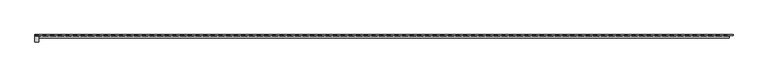
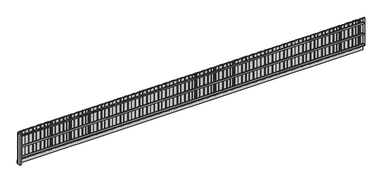
"""IFC4 building model written with IfcOpenShell, lengths in millimetres: geographic element geometry."""

from ifc_helpers import new_model, si_unit, frame, origin, origin_with_axes, place, context, project, spatial, polyline, outline, extrude, source, transform, mapped, element, save


def geographic_element_304ab37c(model_context):
    return source(origin(), model_context, "Body", "SweptSolid", [
        extrude(outline(polyline([(18250.6871344, 20.0), (18100.3435672, 20.0), (18100.3435672, 40.0), (18250.6871344, 40.0), (18250.6871344, 20.0)])), frame((0.0, 0.0, 200.0), z_axis=(0.0, 0.0, 1.0), x_axis=(1.0, 0.0, 0.0)), (0.0, 0.0, 1.0), 1550.0),
        extrude(outline(polyline([(18150.3435672, 0.0), (18000.0, 0.0), (18000.0, 20.0), (18150.3435672, 20.0), (18150.3435672, 0.0)])), frame((0.0, 0.0, 200.0), z_axis=(0.0, 0.0, 1.0), x_axis=(1.0, 0.0, 0.0)), (0.0, 0.0, 1.0), 1550.0),
        extrude(outline(polyline([(18050.6871344, 20.0), (17900.3435672, 20.0), (17900.3435672, 40.0), (18050.6871344, 40.0), (18050.6871344, 20.0)])), frame((0.0, 0.0, 200.0), z_axis=(0.0, 0.0, 1.0), x_axis=(1.0, 0.0, 0.0)), (0.0, 0.0, 1.0), 1550.0),
        extrude(outline(polyline([(17950.3435672, 0.0), (17800.0, 0.0), (17800.0, 20.0), (17950.3435672, 20.0), (17950.3435672, 0.0)])), frame((0.0, 0.0, 200.0), z_axis=(0.0, 0.0, 1.0), x_axis=(1.0, 0.0, 0.0)), (0.0, 0.0, 1.0), 1550.0),
        extrude(outline(polyline([(17850.6871344, 20.0), (17700.3435672, 20.0), (17700.3435672, 40.0), (17850.6871344, 40.0), (17850.6871344, 20.0)])), frame((0.0, 0.0, 200.0), z_axis=(0.0, 0.0, 1.0), x_axis=(1.0, 0.0, 0.0)), (0.0, 0.0, 1.0), 1550.0),
        extrude(outline(polyline([(17750.3435672, 0.0), (17600.0, 0.0), (17600.0, 20.0), (17750.3435672, 20.0), (17750.3435672, 0.0)])), frame((0.0, 0.0, 200.0), z_axis=(0.0, 0.0, 1.0), x_axis=(1.0, 0.0, 0.0)), (0.0, 0.0, 1.0), 1550.0),
        extrude(outline(polyline([(17650.6871344, 20.0), (17500.3435672, 20.0), (17500.3435672, 40.0), (17650.6871344, 40.0), (17650.6871344, 20.0)])), frame((0.0, 0.0, 200.0), z_axis=(0.0, 0.0, 1.0), x_axis=(1.0, 0.0, 0.0)), (0.0, 0.0, 1.0), 1550.0),
        extrude(outline(polyline([(17550.3435672, 0.0), (17400.0, 0.0), (17400.0, 20.0), (17550.3435672, 20.0), (17550.3435672, 0.0)])), frame((0.0, 0.0, 200.0), z_axis=(0.0, 0.0, 1.0), x_axis=(1.0, 0.0, 0.0)), (0.0, 0.0, 1.0), 1550.0),
        extrude(outline(polyline([(17450.6871344, 20.0), (17300.3435672, 20.0), (17300.3435672, 40.0), (17450.6871344, 40.0), (17450.6871344, 20.0)])), frame((0.0, 0.0, 200.0), z_axis=(0.0, 0.0, 1.0), x_axis=(1.0, 0.0, 0.0)), (0.0, 0.0, 1.0), 1550.0),
        extrude(outline(polyline([(17350.3435672, 0.0), (17200.0, 0.0), (17200.0, 20.0), (17350.3435672, 20.0), (17350.3435672, 0.0)])), frame((0.0, 0.0, 200.0), z_axis=(0.0, 0.0, 1.0), x_axis=(1.0, 0.0, 0.0)), (0.0, 0.0, 1.0), 1550.0),
        extrude(outline(polyline([(17250.6871344, 20.0), (17100.3435672, 20.0), (17100.3435672, 40.0), (17250.6871344, 40.0), (17250.6871344, 20.0)])), frame((0.0, 0.0, 200.0), z_axis=(0.0, 0.0, 1.0), x_axis=(1.0, 0.0, 0.0)), (0.0, 0.0, 1.0), 1550.0),
        extrude(outline(polyline([(17150.3435672, 0.0), (17000.0, 0.0), (17000.0, 20.0), (17150.3435672, 20.0), (17150.3435672, 0.0)])), frame((0.0, 0.0, 200.0), z_axis=(0.0, 0.0, 1.0), x_axis=(1.0, 0.0, 0.0)), (0.0, 0.0, 1.0), 1550.0),
        extrude(outline(polyline([(17050.6871344, 20.0), (16900.3435672, 20.0), (16900.3435672, 40.0), (17050.6871344, 40.0), (17050.6871344, 20.0)])), frame((0.0, 0.0, 200.0), z_axis=(0.0, 0.0, 1.0), x_axis=(1.0, 0.0, 0.0)), (0.0, 0.0, 1.0), 1550.0),
        extrude(outline(polyline([(16950.3435672, 0.0), (16800.0, 0.0), (16800.0, 20.0), (16950.3435672, 20.0), (16950.3435672, 0.0)])), frame((0.0, 0.0, 200.0), z_axis=(0.0, 0.0, 1.0), x_axis=(1.0, 0.0, 0.0)), (0.0, 0.0, 1.0), 1550.0),
        extrude(outline(polyline([(16850.6871344, 20.0), (16700.3435672, 20.0), (16700.3435672, 40.0), (16850.6871344, 40.0), (16850.6871344, 20.0)])), frame((0.0, 0.0, 200.0), z_axis=(0.0, 0.0, 1.0), x_axis=(1.0, 0.0, 0.0)), (0.0, 0.0, 1.0), 1550.0),
        extrude(outline(polyline([(16750.3435672, 0.0), (16600.0, 0.0), (16600.0, 20.0), (16750.3435672, 20.0), (16750.3435672, 0.0)])), frame((0.0, 0.0, 200.0), z_axis=(0.0, 0.0, 1.0), x_axis=(1.0, 0.0, 0.0)), (0.0, 0.0, 1.0), 1550.0),
        extrude(outline(polyline([(16650.6871344, 20.0), (16500.3435672, 20.0), (16500.3435672, 40.0), (16650.6871344, 40.0), (16650.6871344, 20.0)])), frame((0.0, 0.0, 200.0), z_axis=(0.0, 0.0, 1.0), x_axis=(1.0, 0.0, 0.0)), (0.0, 0.0, 1.0), 1550.0),
        extrude(outline(polyline([(16550.3435672, 0.0), (16400.0, 0.0), (16400.0, 20.0), (16550.3435672, 20.0), (16550.3435672, 0.0)])), frame((0.0, 0.0, 200.0), z_axis=(0.0, 0.0, 1.0), x_axis=(1.0, 0.0, 0.0)), (0.0, 0.0, 1.0), 1550.0),
        extrude(outline(polyline([(16450.6871344, 20.0), (16300.3435672, 20.0), (16300.3435672, 40.0), (16450.6871344, 40.0), (16450.6871344, 20.0)])), frame((0.0, 0.0, 200.0), z_axis=(0.0, 0.0, 1.0), x_axis=(1.0, 0.0, 0.0)), (0.0, 0.0, 1.0), 1550.0),
        extrude(outline(polyline([(16350.3435672, 0.0), (16200.0, 0.0), (16200.0, 20.0), (16350.3435672, 20.0), (16350.3435672, 0.0)])), frame((0.0, 0.0, 200.0), z_axis=(0.0, 0.0, 1.0), x_axis=(1.0, 0.0, 0.0)), (0.0, 0.0, 1.0), 1550.0),
        extrude(outline(polyline([(16250.6871344, 20.0), (16100.3435672, 20.0), (16100.3435672, 40.0), (16250.6871344, 40.0), (16250.6871344, 20.0)])), frame((0.0, 0.0, 200.0), z_axis=(0.0, 0.0, 1.0), x_axis=(1.0, 0.0, 0.0)), (0.0, 0.0, 1.0), 1550.0),
        extrude(outline(polyline([(16150.3435672, 0.0), (16000.0, 0.0), (16000.0, 20.0), (16150.3435672, 20.0), (16150.3435672, 0.0)])), frame((0.0, 0.0, 200.0), z_axis=(0.0, 0.0, 1.0), x_axis=(1.0, 0.0, 0.0)), (0.0, 0.0, 1.0), 1550.0),
        extrude(outline(polyline([(16050.6871344, 20.0), (15900.3435672, 20.0), (15900.3435672, 40.0), (16050.6871344, 40.0), (16050.6871344, 20.0)])), frame((0.0, 0.0, 200.0), z_axis=(0.0, 0.0, 1.0), x_axis=(1.0, 0.0, 0.0)), (0.0, 0.0, 1.0), 1550.0),
        extrude(outline(polyline([(15950.3435672, 0.0), (15800.0, 0.0), (15800.0, 20.0), (15950.3435672, 20.0), (15950.3435672, 0.0)])), frame((0.0, 0.0, 200.0), z_axis=(0.0, 0.0, 1.0), x_axis=(1.0, 0.0, 0.0)), (0.0, 0.0, 1.0), 1550.0),
        extrude(outline(polyline([(15850.6871344, 20.0), (15700.3435672, 20.0), (15700.3435672, 40.0), (15850.6871344, 40.0), (15850.6871344, 20.0)])), frame((0.0, 0.0, 200.0), z_axis=(0.0, 0.0, 1.0), x_axis=(1.0, 0.0, 0.0)), (0.0, 0.0, 1.0), 1550.0),
        extrude(outline(polyline([(15750.3435672, 0.0), (15600.0, 0.0), (15600.0, 20.0), (15750.3435672, 20.0), (15750.3435672, 0.0)])), frame((0.0, 0.0, 200.0), z_axis=(0.0, 0.0, 1.0), x_axis=(1.0, 0.0, 0.0)), (0.0, 0.0, 1.0), 1550.0),
        extrude(outline(polyline([(15650.6871344, 20.0), (15500.3435672, 20.0), (15500.3435672, 40.0), (15650.6871344, 40.0), (15650.6871344, 20.0)])), frame((0.0, 0.0, 200.0), z_axis=(0.0, 0.0, 1.0), x_axis=(1.0, 0.0, 0.0)), (0.0, 0.0, 1.0), 1550.0),
        extrude(outline(polyline([(15550.3435672, 0.0), (15400.0, 0.0), (15400.0, 20.0), (15550.3435672, 20.0), (15550.3435672, 0.0)])), frame((0.0, 0.0, 200.0), z_axis=(0.0, 0.0, 1.0), x_axis=(1.0, 0.0, 0.0)), (0.0, 0.0, 1.0), 1550.0),
        extrude(outline(polyline([(15450.6871344, 20.0), (15300.3435672, 20.0), (15300.3435672, 40.0), (15450.6871344, 40.0), (15450.6871344, 20.0)])), frame((0.0, 0.0, 200.0), z_axis=(0.0, 0.0, 1.0), x_axis=(1.0, 0.0, 0.0)), (0.0, 0.0, 1.0), 1550.0),
        extrude(outline(polyline([(15350.3435672, 0.0), (15200.0, 0.0), (15200.0, 20.0), (15350.3435672, 20.0), (15350.3435672, 0.0)])), frame((0.0, 0.0, 200.0), z_axis=(0.0, 0.0, 1.0), x_axis=(1.0, 0.0, 0.0)), (0.0, 0.0, 1.0), 1550.0),
        extrude(outline(polyline([(15250.6871344, 20.0), (15100.3435672, 20.0), (15100.3435672, 40.0), (15250.6871344, 40.0), (15250.6871344, 20.0)])), frame((0.0, 0.0, 200.0), z_axis=(0.0, 0.0, 1.0), x_axis=(1.0, 0.0, 0.0)), (0.0, 0.0, 1.0), 1550.0),
        extrude(outline(polyline([(15150.3435672, 0.0), (15000.0, 0.0), (15000.0, 20.0), (15150.3435672, 20.0), (15150.3435672, 0.0)])), frame((0.0, 0.0, 200.0), z_axis=(0.0, 0.0, 1.0), x_axis=(1.0, 0.0, 0.0)), (0.0, 0.0, 1.0), 1550.0),
        extrude(outline(polyline([(15050.6871344, 20.0), (14900.3435672, 20.0), (14900.3435672, 40.0), (15050.6871344, 40.0), (15050.6871344, 20.0)])), frame((0.0, 0.0, 200.0), z_axis=(0.0, 0.0, 1.0), x_axis=(1.0, 0.0, 0.0)), (0.0, 0.0, 1.0), 1550.0),
        extrude(outline(polyline([(14950.3435672, 0.0), (14800.0, 0.0), (14800.0, 20.0), (14950.3435672, 20.0), (14950.3435672, 0.0)])), frame((0.0, 0.0, 200.0), z_axis=(0.0, 0.0, 1.0), x_axis=(1.0, 0.0, 0.0)), (0.0, 0.0, 1.0), 1550.0),
        extrude(outline(polyline([(14850.6871344, 20.0), (14700.3435672, 20.0), (14700.3435672, 40.0), (14850.6871344, 40.0), (14850.6871344, 20.0)])), frame((0.0, 0.0, 200.0), z_axis=(0.0, 0.0, 1.0), x_axis=(1.0, 0.0, 0.0)), (0.0, 0.0, 1.0), 1550.0),
        extrude(outline(polyline([(14750.3435672, 0.0), (14600.0, 0.0), (14600.0, 20.0), (14750.3435672, 20.0), (14750.3435672, 0.0)])), frame((0.0, 0.0, 200.0), z_axis=(0.0, 0.0, 1.0), x_axis=(1.0, 0.0, 0.0)), (0.0, 0.0, 1.0), 1550.0),
        extrude(outline(polyline([(14650.6871344, 20.0), (14500.3435672, 20.0), (14500.3435672, 40.0), (14650.6871344, 40.0), (14650.6871344, 20.0)])), frame((0.0, 0.0, 200.0), z_axis=(0.0, 0.0, 1.0), x_axis=(1.0, 0.0, 0.0)), (0.0, 0.0, 1.0), 1550.0),
        extrude(outline(polyline([(14550.3435672, 0.0), (14400.0, 0.0), (14400.0, 20.0), (14550.3435672, 20.0), (14550.3435672, 0.0)])), frame((0.0, 0.0, 200.0), z_axis=(0.0, 0.0, 1.0), x_axis=(1.0, 0.0, 0.0)), (0.0, 0.0, 1.0), 1550.0),
        extrude(outline(polyline([(14450.6871344, 20.0), (14300.3435672, 20.0), (14300.3435672, 40.0), (14450.6871344, 40.0), (14450.6871344, 20.0)])), frame((0.0, 0.0, 200.0), z_axis=(0.0, 0.0, 1.0), x_axis=(1.0, 0.0, 0.0)), (0.0, 0.0, 1.0), 1550.0),
        extrude(outline(polyline([(14350.3435672, 0.0), (14200.0, 0.0), (14200.0, 20.0), (14350.3435672, 20.0), (14350.3435672, 0.0)])), frame((0.0, 0.0, 200.0), z_axis=(0.0, 0.0, 1.0), x_axis=(1.0, 0.0, 0.0)), (0.0, 0.0, 1.0), 1550.0),
        extrude(outline(polyline([(14250.6871344, 20.0), (14100.3435672, 20.0), (14100.3435672, 40.0), (14250.6871344, 40.0), (14250.6871344, 20.0)])), frame((0.0, 0.0, 200.0), z_axis=(0.0, 0.0, 1.0), x_axis=(1.0, 0.0, 0.0)), (0.0, 0.0, 1.0), 1550.0),
        extrude(outline(polyline([(14150.3435672, 0.0), (14000.0, 0.0), (14000.0, 20.0), (14150.3435672, 20.0), (14150.3435672, 0.0)])), frame((0.0, 0.0, 200.0), z_axis=(0.0, 0.0, 1.0), x_axis=(1.0, 0.0, 0.0)), (0.0, 0.0, 1.0), 1550.0),
        extrude(outline(polyline([(14050.6871344, 20.0), (13900.3435672, 20.0), (13900.3435672, 40.0), (14050.6871344, 40.0), (14050.6871344, 20.0)])), frame((0.0, 0.0, 200.0), z_axis=(0.0, 0.0, 1.0), x_axis=(1.0, 0.0, 0.0)), (0.0, 0.0, 1.0), 1550.0),
        extrude(outline(polyline([(13950.3435672, 0.0), (13800.0, 0.0), (13800.0, 20.0), (13950.3435672, 20.0), (13950.3435672, 0.0)])), frame((0.0, 0.0, 200.0), z_axis=(0.0, 0.0, 1.0), x_axis=(1.0, 0.0, 0.0)), (0.0, 0.0, 1.0), 1550.0),
        extrude(outline(polyline([(13850.6871344, 20.0), (13700.3435672, 20.0), (13700.3435672, 40.0), (13850.6871344, 40.0), (13850.6871344, 20.0)])), frame((0.0, 0.0, 200.0), z_axis=(0.0, 0.0, 1.0), x_axis=(1.0, 0.0, 0.0)), (0.0, 0.0, 1.0), 1550.0),
        extrude(outline(polyline([(13750.3435672, 0.0), (13600.0, 0.0), (13600.0, 20.0), (13750.3435672, 20.0), (13750.3435672, 0.0)])), frame((0.0, 0.0, 200.0), z_axis=(0.0, 0.0, 1.0), x_axis=(1.0, 0.0, 0.0)), (0.0, 0.0, 1.0), 1550.0),
        extrude(outline(polyline([(13650.6871344, 20.0), (13500.3435672, 20.0), (13500.3435672, 40.0), (13650.6871344, 40.0), (13650.6871344, 20.0)])), frame((0.0, 0.0, 200.0), z_axis=(0.0, 0.0, 1.0), x_axis=(1.0, 0.0, 0.0)), (0.0, 0.0, 1.0), 1550.0),
        extrude(outline(polyline([(13550.3435672, 0.0), (13400.0, 0.0), (13400.0, 20.0), (13550.3435672, 20.0), (13550.3435672, 0.0)])), frame((0.0, 0.0, 200.0), z_axis=(0.0, 0.0, 1.0), x_axis=(1.0, 0.0, 0.0)), (0.0, 0.0, 1.0), 1550.0),
        extrude(outline(polyline([(13450.6871344, 20.0), (13300.3435672, 20.0), (13300.3435672, 40.0), (13450.6871344, 40.0), (13450.6871344, 20.0)])), frame((0.0, 0.0, 200.0), z_axis=(0.0, 0.0, 1.0), x_axis=(1.0, 0.0, 0.0)), (0.0, 0.0, 1.0), 1550.0),
        extrude(outline(polyline([(13350.3435672, 0.0), (13200.0, 0.0), (13200.0, 20.0), (13350.3435672, 20.0), (13350.3435672, 0.0)])), frame((0.0, 0.0, 200.0), z_axis=(0.0, 0.0, 1.0), x_axis=(1.0, 0.0, 0.0)), (0.0, 0.0, 1.0), 1550.0),
        extrude(outline(polyline([(13250.6871344, 20.0), (13100.3435672, 20.0), (13100.3435672, 40.0), (13250.6871344, 40.0), (13250.6871344, 20.0)])), frame((0.0, 0.0, 200.0), z_axis=(0.0, 0.0, 1.0), x_axis=(1.0, 0.0, 0.0)), (0.0, 0.0, 1.0), 1550.0),
        extrude(outline(polyline([(13150.3435672, 0.0), (13000.0, 0.0), (13000.0, 20.0), (13150.3435672, 20.0), (13150.3435672, 0.0)])), frame((0.0, 0.0, 200.0), z_axis=(0.0, 0.0, 1.0), x_axis=(1.0, 0.0, 0.0)), (0.0, 0.0, 1.0), 1550.0),
        extrude(outline(polyline([(13050.6871344, 20.0), (12900.3435672, 20.0), (12900.3435672, 40.0), (13050.6871344, 40.0), (13050.6871344, 20.0)])), frame((0.0, 0.0, 200.0), z_axis=(0.0, 0.0, 1.0), x_axis=(1.0, 0.0, 0.0)), (0.0, 0.0, 1.0), 1550.0),
        extrude(outline(polyline([(12950.3435672, 0.0), (12800.0, 0.0), (12800.0, 20.0), (12950.3435672, 20.0), (12950.3435672, 0.0)])), frame((0.0, 0.0, 200.0), z_axis=(0.0, 0.0, 1.0), x_axis=(1.0, 0.0, 0.0)), (0.0, 0.0, 1.0), 1550.0),
        extrude(outline(polyline([(12850.6871344, 20.0), (12700.3435672, 20.0), (12700.3435672, 40.0), (12850.6871344, 40.0), (12850.6871344, 20.0)])), frame((0.0, 0.0, 200.0), z_axis=(0.0, 0.0, 1.0), x_axis=(1.0, 0.0, 0.0)), (0.0, 0.0, 1.0), 1550.0),
        extrude(outline(polyline([(12750.3435672, 0.0), (12600.0, 0.0), (12600.0, 20.0), (12750.3435672, 20.0), (12750.3435672, 0.0)])), frame((0.0, 0.0, 200.0), z_axis=(0.0, 0.0, 1.0), x_axis=(1.0, 0.0, 0.0)), (0.0, 0.0, 1.0), 1550.0),
        extrude(outline(polyline([(12650.6871344, 20.0), (12500.3435672, 20.0), (12500.3435672, 40.0), (12650.6871344, 40.0), (12650.6871344, 20.0)])), frame((0.0, 0.0, 200.0), z_axis=(0.0, 0.0, 1.0), x_axis=(1.0, 0.0, 0.0)), (0.0, 0.0, 1.0), 1550.0),
        extrude(outline(polyline([(12550.3435672, 0.0), (12400.0, 0.0), (12400.0, 20.0), (12550.3435672, 20.0), (12550.3435672, 0.0)])), frame((0.0, 0.0, 200.0), z_axis=(0.0, 0.0, 1.0), x_axis=(1.0, 0.0, 0.0)), (0.0, 0.0, 1.0), 1550.0),
        extrude(outline(polyline([(12450.6871344, 20.0), (12300.3435672, 20.0), (12300.3435672, 40.0), (12450.6871344, 40.0), (12450.6871344, 20.0)])), frame((0.0, 0.0, 200.0), z_axis=(0.0, 0.0, 1.0), x_axis=(1.0, 0.0, 0.0)), (0.0, 0.0, 1.0), 1550.0),
        extrude(outline(polyline([(12350.3435672, 0.0), (12200.0, 0.0), (12200.0, 20.0), (12350.3435672, 20.0), (12350.3435672, 0.0)])), frame((0.0, 0.0, 200.0), z_axis=(0.0, 0.0, 1.0), x_axis=(1.0, 0.0, 0.0)), (0.0, 0.0, 1.0), 1550.0),
        extrude(outline(polyline([(12250.6871344, 20.0), (12100.3435672, 20.0), (12100.3435672, 40.0), (12250.6871344, 40.0), (12250.6871344, 20.0)])), frame((0.0, 0.0, 200.0), z_axis=(0.0, 0.0, 1.0), x_axis=(1.0, 0.0, 0.0)), (0.0, 0.0, 1.0), 1550.0),
        extrude(outline(polyline([(12150.3435672, 0.0), (12000.0, 0.0), (12000.0, 20.0), (12150.3435672, 20.0), (12150.3435672, 0.0)])), frame((0.0, 0.0, 200.0), z_axis=(0.0, 0.0, 1.0), x_axis=(1.0, 0.0, 0.0)), (0.0, 0.0, 1.0), 1550.0),
        extrude(outline(polyline([(12050.6871344, 20.0), (11900.3435672, 20.0), (11900.3435672, 40.0), (12050.6871344, 40.0), (12050.6871344, 20.0)])), frame((0.0, 0.0, 200.0), z_axis=(0.0, 0.0, 1.0), x_axis=(1.0, 0.0, 0.0)), (0.0, 0.0, 1.0), 1550.0),
        extrude(outline(polyline([(11950.3435672, 0.0), (11800.0, 0.0), (11800.0, 20.0), (11950.3435672, 20.0), (11950.3435672, 0.0)])), frame((0.0, 0.0, 200.0), z_axis=(0.0, 0.0, 1.0), x_axis=(1.0, 0.0, 0.0)), (0.0, 0.0, 1.0), 1550.0),
        extrude(outline(polyline([(11850.6871344, 20.0), (11700.3435672, 20.0), (11700.3435672, 40.0), (11850.6871344, 40.0), (11850.6871344, 20.0)])), frame((0.0, 0.0, 200.0), z_axis=(0.0, 0.0, 1.0), x_axis=(1.0, 0.0, 0.0)), (0.0, 0.0, 1.0), 1550.0),
        extrude(outline(polyline([(11750.3435672, 0.0), (11600.0, 0.0), (11600.0, 20.0), (11750.3435672, 20.0), (11750.3435672, 0.0)])), frame((0.0, 0.0, 200.0), z_axis=(0.0, 0.0, 1.0), x_axis=(1.0, 0.0, 0.0)), (0.0, 0.0, 1.0), 1550.0),
        extrude(outline(polyline([(11650.6871344, 20.0), (11500.3435672, 20.0), (11500.3435672, 40.0), (11650.6871344, 40.0), (11650.6871344, 20.0)])), frame((0.0, 0.0, 200.0), z_axis=(0.0, 0.0, 1.0), x_axis=(1.0, 0.0, 0.0)), (0.0, 0.0, 1.0), 1550.0),
        extrude(outline(polyline([(11550.3435672, 0.0), (11400.0, 0.0), (11400.0, 20.0), (11550.3435672, 20.0), (11550.3435672, 0.0)])), frame((0.0, 0.0, 200.0), z_axis=(0.0, 0.0, 1.0), x_axis=(1.0, 0.0, 0.0)), (0.0, 0.0, 1.0), 1550.0),
        extrude(outline(polyline([(11450.6871344, 20.0), (11300.3435672, 20.0), (11300.3435672, 40.0), (11450.6871344, 40.0), (11450.6871344, 20.0)])), frame((0.0, 0.0, 200.0), z_axis=(0.0, 0.0, 1.0), x_axis=(1.0, 0.0, 0.0)), (0.0, 0.0, 1.0), 1550.0),
        extrude(outline(polyline([(11350.3435672, 0.0), (11200.0, 0.0), (11200.0, 20.0), (11350.3435672, 20.0), (11350.3435672, 0.0)])), frame((0.0, 0.0, 200.0), z_axis=(0.0, 0.0, 1.0), x_axis=(1.0, 0.0, 0.0)), (0.0, 0.0, 1.0), 1550.0),
        extrude(outline(polyline([(11250.6871344, 20.0), (11100.3435672, 20.0), (11100.3435672, 40.0), (11250.6871344, 40.0), (11250.6871344, 20.0)])), frame((0.0, 0.0, 200.0), z_axis=(0.0, 0.0, 1.0), x_axis=(1.0, 0.0, 0.0)), (0.0, 0.0, 1.0), 1550.0),
        extrude(outline(polyline([(11150.3435672, 0.0), (11000.0, 0.0), (11000.0, 20.0), (11150.3435672, 20.0), (11150.3435672, 0.0)])), frame((0.0, 0.0, 200.0), z_axis=(0.0, 0.0, 1.0), x_axis=(1.0, 0.0, 0.0)), (0.0, 0.0, 1.0), 1550.0),
        extrude(outline(polyline([(11050.6871344, 20.0), (10900.3435672, 20.0), (10900.3435672, 40.0), (11050.6871344, 40.0), (11050.6871344, 20.0)])), frame((0.0, 0.0, 200.0), z_axis=(0.0, 0.0, 1.0), x_axis=(1.0, 0.0, 0.0)), (0.0, 0.0, 1.0), 1550.0),
        extrude(outline(polyline([(10950.3435672, 0.0), (10800.0, 0.0), (10800.0, 20.0), (10950.3435672, 20.0), (10950.3435672, 0.0)])), frame((0.0, 0.0, 200.0), z_axis=(0.0, 0.0, 1.0), x_axis=(1.0, 0.0, 0.0)), (0.0, 0.0, 1.0), 1550.0),
        extrude(outline(polyline([(10850.6871344, 20.0), (10700.3435672, 20.0), (10700.3435672, 40.0), (10850.6871344, 40.0), (10850.6871344, 20.0)])), frame((0.0, 0.0, 200.0), z_axis=(0.0, 0.0, 1.0), x_axis=(1.0, 0.0, 0.0)), (0.0, 0.0, 1.0), 1550.0),
        extrude(outline(polyline([(10750.3435672, 0.0), (10600.0, 0.0), (10600.0, 20.0), (10750.3435672, 20.0), (10750.3435672, 0.0)])), frame((0.0, 0.0, 200.0), z_axis=(0.0, 0.0, 1.0), x_axis=(1.0, 0.0, 0.0)), (0.0, 0.0, 1.0), 1550.0),
        extrude(outline(polyline([(10650.6871344, 20.0), (10500.3435672, 20.0), (10500.3435672, 40.0), (10650.6871344, 40.0), (10650.6871344, 20.0)])), frame((0.0, 0.0, 200.0), z_axis=(0.0, 0.0, 1.0), x_axis=(1.0, 0.0, 0.0)), (0.0, 0.0, 1.0), 1550.0),
        extrude(outline(polyline([(10550.3435672, 0.0), (10400.0, 0.0), (10400.0, 20.0), (10550.3435672, 20.0), (10550.3435672, 0.0)])), frame((0.0, 0.0, 200.0), z_axis=(0.0, 0.0, 1.0), x_axis=(1.0, 0.0, 0.0)), (0.0, 0.0, 1.0), 1550.0),
        extrude(outline(polyline([(10450.6871344, 20.0), (10300.3435672, 20.0), (10300.3435672, 40.0), (10450.6871344, 40.0), (10450.6871344, 20.0)])), frame((0.0, 0.0, 200.0), z_axis=(0.0, 0.0, 1.0), x_axis=(1.0, 0.0, 0.0)), (0.0, 0.0, 1.0), 1550.0),
        extrude(outline(polyline([(10350.3435672, 0.0), (10200.0, 0.0), (10200.0, 20.0), (10350.3435672, 20.0), (10350.3435672, 0.0)])), frame((0.0, 0.0, 200.0), z_axis=(0.0, 0.0, 1.0), x_axis=(1.0, 0.0, 0.0)), (0.0, 0.0, 1.0), 1550.0),
        extrude(outline(polyline([(10250.6871344, 20.0), (10100.3435672, 20.0), (10100.3435672, 40.0), (10250.6871344, 40.0), (10250.6871344, 20.0)])), frame((0.0, 0.0, 200.0), z_axis=(0.0, 0.0, 1.0), x_axis=(1.0, 0.0, 0.0)), (0.0, 0.0, 1.0), 1550.0),
        extrude(outline(polyline([(10150.3435672, 0.0), (10000.0, 0.0), (10000.0, 20.0), (10150.3435672, 20.0), (10150.3435672, 0.0)])), frame((0.0, 0.0, 200.0), z_axis=(0.0, 0.0, 1.0), x_axis=(1.0, 0.0, 0.0)), (0.0, 0.0, 1.0), 1550.0),
        extrude(outline(polyline([(10050.6871344, 20.0), (9900.3435672, 20.0), (9900.3435672, 40.0), (10050.6871344, 40.0), (10050.6871344, 20.0)])), frame((0.0, 0.0, 200.0), z_axis=(0.0, 0.0, 1.0), x_axis=(1.0, 0.0, 0.0)), (0.0, 0.0, 1.0), 1550.0),
        extrude(outline(polyline([(9950.3435672, 0.0), (9800.0, 0.0), (9800.0, 20.0), (9950.3435672, 20.0), (9950.3435672, 0.0)])), frame((0.0, 0.0, 200.0), z_axis=(0.0, 0.0, 1.0), x_axis=(1.0, 0.0, 0.0)), (0.0, 0.0, 1.0), 1550.0),
        extrude(outline(polyline([(9850.6871344, 20.0), (9700.3435672, 20.0), (9700.3435672, 40.0), (9850.6871344, 40.0), (9850.6871344, 20.0)])), frame((0.0, 0.0, 200.0), z_axis=(0.0, 0.0, 1.0), x_axis=(1.0, 0.0, 0.0)), (0.0, 0.0, 1.0), 1550.0),
        extrude(outline(polyline([(9750.3435672, 0.0), (9600.0, 0.0), (9600.0, 20.0), (9750.3435672, 20.0), (9750.3435672, 0.0)])), frame((0.0, 0.0, 200.0), z_axis=(0.0, 0.0, 1.0), x_axis=(1.0, 0.0, 0.0)), (0.0, 0.0, 1.0), 1550.0),
        extrude(outline(polyline([(9650.6871344, 20.0), (9500.3435672, 20.0), (9500.3435672, 40.0), (9650.6871344, 40.0), (9650.6871344, 20.0)])), frame((0.0, 0.0, 200.0), z_axis=(0.0, 0.0, 1.0), x_axis=(1.0, 0.0, 0.0)), (0.0, 0.0, 1.0), 1550.0),
        extrude(outline(polyline([(9550.3435672, 0.0), (9400.0, 0.0), (9400.0, 20.0), (9550.3435672, 20.0), (9550.3435672, 0.0)])), frame((0.0, 0.0, 200.0), z_axis=(0.0, 0.0, 1.0), x_axis=(1.0, 0.0, 0.0)), (0.0, 0.0, 1.0), 1550.0),
        extrude(outline(polyline([(9450.6871344, 20.0), (9300.3435672, 20.0), (9300.3435672, 40.0), (9450.6871344, 40.0), (9450.6871344, 20.0)])), frame((0.0, 0.0, 200.0), z_axis=(0.0, 0.0, 1.0), x_axis=(1.0, 0.0, 0.0)), (0.0, 0.0, 1.0), 1550.0),
        extrude(outline(polyline([(9350.3435672, 0.0), (9200.0, 0.0), (9200.0, 20.0), (9350.3435672, 20.0), (9350.3435672, 0.0)])), frame((0.0, 0.0, 200.0), z_axis=(0.0, 0.0, 1.0), x_axis=(1.0, 0.0, 0.0)), (0.0, 0.0, 1.0), 1550.0),
        extrude(outline(polyline([(9250.6871344, 20.0), (9100.3435672, 20.0), (9100.3435672, 40.0), (9250.6871344, 40.0), (9250.6871344, 20.0)])), frame((0.0, 0.0, 200.0), z_axis=(0.0, 0.0, 1.0), x_axis=(1.0, 0.0, 0.0)), (0.0, 0.0, 1.0), 1550.0),
        extrude(outline(polyline([(9150.3435672, 0.0), (9000.0, 0.0), (9000.0, 20.0), (9150.3435672, 20.0), (9150.3435672, 0.0)])), frame((0.0, 0.0, 200.0), z_axis=(0.0, 0.0, 1.0), x_axis=(1.0, 0.0, 0.0)), (0.0, 0.0, 1.0), 1550.0),
        extrude(outline(polyline([(9050.6871344, 20.0), (8900.3435672, 20.0), (8900.3435672, 40.0), (9050.6871344, 40.0), (9050.6871344, 20.0)])), frame((0.0, 0.0, 200.0), z_axis=(0.0, 0.0, 1.0), x_axis=(1.0, 0.0, 0.0)), (0.0, 0.0, 1.0), 1550.0),
        extrude(outline(polyline([(8950.3435672, 0.0), (8800.0, 0.0), (8800.0, 20.0), (8950.3435672, 20.0), (8950.3435672, 0.0)])), frame((0.0, 0.0, 200.0), z_axis=(0.0, 0.0, 1.0), x_axis=(1.0, 0.0, 0.0)), (0.0, 0.0, 1.0), 1550.0),
        extrude(outline(polyline([(8850.6871344, 20.0), (8700.3435672, 20.0), (8700.3435672, 40.0), (8850.6871344, 40.0), (8850.6871344, 20.0)])), frame((0.0, 0.0, 200.0), z_axis=(0.0, 0.0, 1.0), x_axis=(1.0, 0.0, 0.0)), (0.0, 0.0, 1.0), 1550.0),
        extrude(outline(polyline([(8750.3435672, 0.0), (8600.0, 0.0), (8600.0, 20.0), (8750.3435672, 20.0), (8750.3435672, 0.0)])), frame((0.0, 0.0, 200.0), z_axis=(0.0, 0.0, 1.0), x_axis=(1.0, 0.0, 0.0)), (0.0, 0.0, 1.0), 1550.0),
        extrude(outline(polyline([(8650.6871344, 20.0), (8500.3435672, 20.0), (8500.3435672, 40.0), (8650.6871344, 40.0), (8650.6871344, 20.0)])), frame((0.0, 0.0, 200.0), z_axis=(0.0, 0.0, 1.0), x_axis=(1.0, 0.0, 0.0)), (0.0, 0.0, 1.0), 1550.0),
        extrude(outline(polyline([(8550.3435672, 0.0), (8400.0, 0.0), (8400.0, 20.0), (8550.3435672, 20.0), (8550.3435672, 0.0)])), frame((0.0, 0.0, 200.0), z_axis=(0.0, 0.0, 1.0), x_axis=(1.0, 0.0, 0.0)), (0.0, 0.0, 1.0), 1550.0),
        extrude(outline(polyline([(8450.6871344, 20.0), (8300.3435672, 20.0), (8300.3435672, 40.0), (8450.6871344, 40.0), (8450.6871344, 20.0)])), frame((0.0, 0.0, 200.0), z_axis=(0.0, 0.0, 1.0), x_axis=(1.0, 0.0, 0.0)), (0.0, 0.0, 1.0), 1550.0),
        extrude(outline(polyline([(8350.3435672, 0.0), (8200.0, 0.0), (8200.0, 20.0), (8350.3435672, 20.0), (8350.3435672, 0.0)])), frame((0.0, 0.0, 200.0), z_axis=(0.0, 0.0, 1.0), x_axis=(1.0, 0.0, 0.0)), (0.0, 0.0, 1.0), 1550.0),
        extrude(outline(polyline([(8250.6871344, 20.0), (8100.3435672, 20.0), (8100.3435672, 40.0), (8250.6871344, 40.0), (8250.6871344, 20.0)])), frame((0.0, 0.0, 200.0), z_axis=(0.0, 0.0, 1.0), x_axis=(1.0, 0.0, 0.0)), (0.0, 0.0, 1.0), 1550.0),
        extrude(outline(polyline([(8150.3435672, 0.0), (8000.0, 0.0), (8000.0, 20.0), (8150.3435672, 20.0), (8150.3435672, 0.0)])), frame((0.0, 0.0, 200.0), z_axis=(0.0, 0.0, 1.0), x_axis=(1.0, 0.0, 0.0)), (0.0, 0.0, 1.0), 1550.0),
        extrude(outline(polyline([(8050.6871344, 20.0), (7900.3435672, 20.0), (7900.3435672, 40.0), (8050.6871344, 40.0), (8050.6871344, 20.0)])), frame((0.0, 0.0, 200.0), z_axis=(0.0, 0.0, 1.0), x_axis=(1.0, 0.0, 0.0)), (0.0, 0.0, 1.0), 1550.0),
        extrude(outline(polyline([(7950.3435672, 0.0), (7800.0, 0.0), (7800.0, 20.0), (7950.3435672, 20.0), (7950.3435672, 0.0)])), frame((0.0, 0.0, 200.0), z_axis=(0.0, 0.0, 1.0), x_axis=(1.0, 0.0, 0.0)), (0.0, 0.0, 1.0), 1550.0),
        extrude(outline(polyline([(7850.6871344, 20.0), (7700.3435672, 20.0), (7700.3435672, 40.0), (7850.6871344, 40.0), (7850.6871344, 20.0)])), frame((0.0, 0.0, 200.0), z_axis=(0.0, 0.0, 1.0), x_axis=(1.0, 0.0, 0.0)), (0.0, 0.0, 1.0), 1550.0),
        extrude(outline(polyline([(7750.3435672, 0.0), (7600.0, 0.0), (7600.0, 20.0), (7750.3435672, 20.0), (7750.3435672, 0.0)])), frame((0.0, 0.0, 200.0), z_axis=(0.0, 0.0, 1.0), x_axis=(1.0, 0.0, 0.0)), (0.0, 0.0, 1.0), 1550.0),
        extrude(outline(polyline([(7650.6871344, 20.0), (7500.3435672, 20.0), (7500.3435672, 40.0), (7650.6871344, 40.0), (7650.6871344, 20.0)])), frame((0.0, 0.0, 200.0), z_axis=(0.0, 0.0, 1.0), x_axis=(1.0, 0.0, 0.0)), (0.0, 0.0, 1.0), 1550.0),
        extrude(outline(polyline([(7550.3435672, 0.0), (7400.0, 0.0), (7400.0, 20.0), (7550.3435672, 20.0), (7550.3435672, 0.0)])), frame((0.0, 0.0, 200.0), z_axis=(0.0, 0.0, 1.0), x_axis=(1.0, 0.0, 0.0)), (0.0, 0.0, 1.0), 1550.0),
        extrude(outline(polyline([(7450.6871344, 20.0), (7300.3435672, 20.0), (7300.3435672, 40.0), (7450.6871344, 40.0), (7450.6871344, 20.0)])), frame((0.0, 0.0, 200.0), z_axis=(0.0, 0.0, 1.0), x_axis=(1.0, 0.0, 0.0)), (0.0, 0.0, 1.0), 1550.0),
        extrude(outline(polyline([(7350.3435672, 0.0), (7200.0, 0.0), (7200.0, 20.0), (7350.3435672, 20.0), (7350.3435672, 0.0)])), frame((0.0, 0.0, 200.0), z_axis=(0.0, 0.0, 1.0), x_axis=(1.0, 0.0, 0.0)), (0.0, 0.0, 1.0), 1550.0),
        extrude(outline(polyline([(7250.6871344, 20.0), (7100.3435672, 20.0), (7100.3435672, 40.0), (7250.6871344, 40.0), (7250.6871344, 20.0)])), frame((0.0, 0.0, 200.0), z_axis=(0.0, 0.0, 1.0), x_axis=(1.0, 0.0, 0.0)), (0.0, 0.0, 1.0), 1550.0),
        extrude(outline(polyline([(7150.3435672, 0.0), (7000.0, 0.0), (7000.0, 20.0), (7150.3435672, 20.0), (7150.3435672, 0.0)])), frame((0.0, 0.0, 200.0), z_axis=(0.0, 0.0, 1.0), x_axis=(1.0, 0.0, 0.0)), (0.0, 0.0, 1.0), 1550.0),
        extrude(outline(polyline([(7050.6871344, 20.0), (6900.3435672, 20.0), (6900.3435672, 40.0), (7050.6871344, 40.0), (7050.6871344, 20.0)])), frame((0.0, 0.0, 200.0), z_axis=(0.0, 0.0, 1.0), x_axis=(1.0, 0.0, 0.0)), (0.0, 0.0, 1.0), 1550.0),
        extrude(outline(polyline([(6950.3435672, 0.0), (6800.0, 0.0), (6800.0, 20.0), (6950.3435672, 20.0), (6950.3435672, 0.0)])), frame((0.0, 0.0, 200.0), z_axis=(0.0, 0.0, 1.0), x_axis=(1.0, 0.0, 0.0)), (0.0, 0.0, 1.0), 1550.0),
        extrude(outline(polyline([(6850.6871344, 20.0), (6700.3435672, 20.0), (6700.3435672, 40.0), (6850.6871344, 40.0), (6850.6871344, 20.0)])), frame((0.0, 0.0, 200.0), z_axis=(0.0, 0.0, 1.0), x_axis=(1.0, 0.0, 0.0)), (0.0, 0.0, 1.0), 1550.0),
        extrude(outline(polyline([(6750.3435672, 0.0), (6600.0, 0.0), (6600.0, 20.0), (6750.3435672, 20.0), (6750.3435672, 0.0)])), frame((0.0, 0.0, 200.0), z_axis=(0.0, 0.0, 1.0), x_axis=(1.0, 0.0, 0.0)), (0.0, 0.0, 1.0), 1550.0),
        extrude(outline(polyline([(6650.6871344, 20.0), (6500.3435672, 20.0), (6500.3435672, 40.0), (6650.6871344, 40.0), (6650.6871344, 20.0)])), frame((0.0, 0.0, 200.0), z_axis=(0.0, 0.0, 1.0), x_axis=(1.0, 0.0, 0.0)), (0.0, 0.0, 1.0), 1550.0),
        extrude(outline(polyline([(6550.3435672, 0.0), (6400.0, 0.0), (6400.0, 20.0), (6550.3435672, 20.0), (6550.3435672, 0.0)])), frame((0.0, 0.0, 200.0), z_axis=(0.0, 0.0, 1.0), x_axis=(1.0, 0.0, 0.0)), (0.0, 0.0, 1.0), 1550.0),
        extrude(outline(polyline([(6450.6871344, 20.0), (6300.3435672, 20.0), (6300.3435672, 40.0), (6450.6871344, 40.0), (6450.6871344, 20.0)])), frame((0.0, 0.0, 200.0), z_axis=(0.0, 0.0, 1.0), x_axis=(1.0, 0.0, 0.0)), (0.0, 0.0, 1.0), 1550.0),
        extrude(outline(polyline([(6350.3435672, 0.0), (6200.0, 0.0), (6200.0, 20.0), (6350.3435672, 20.0), (6350.3435672, 0.0)])), frame((0.0, 0.0, 200.0), z_axis=(0.0, 0.0, 1.0), x_axis=(1.0, 0.0, 0.0)), (0.0, 0.0, 1.0), 1550.0),
        extrude(outline(polyline([(6250.6871344, 20.0), (6100.3435672, 20.0), (6100.3435672, 40.0), (6250.6871344, 40.0), (6250.6871344, 20.0)])), frame((0.0, 0.0, 200.0), z_axis=(0.0, 0.0, 1.0), x_axis=(1.0, 0.0, 0.0)), (0.0, 0.0, 1.0), 1550.0),
        extrude(outline(polyline([(6150.3435672, 0.0), (6000.0, 0.0), (6000.0, 20.0), (6150.3435672, 20.0), (6150.3435672, 0.0)])), frame((0.0, 0.0, 200.0), z_axis=(0.0, 0.0, 1.0), x_axis=(1.0, 0.0, 0.0)), (0.0, 0.0, 1.0), 1550.0),
        extrude(outline(polyline([(6050.6871344, 20.0), (5900.3435672, 20.0), (5900.3435672, 40.0), (6050.6871344, 40.0), (6050.6871344, 20.0)])), frame((0.0, 0.0, 200.0), z_axis=(0.0, 0.0, 1.0), x_axis=(1.0, 0.0, 0.0)), (0.0, 0.0, 1.0), 1550.0),
        extrude(outline(polyline([(5950.3435672, 0.0), (5800.0, 0.0), (5800.0, 20.0), (5950.3435672, 20.0), (5950.3435672, 0.0)])), frame((0.0, 0.0, 200.0), z_axis=(0.0, 0.0, 1.0), x_axis=(1.0, 0.0, 0.0)), (0.0, 0.0, 1.0), 1550.0),
        extrude(outline(polyline([(5850.6871344, 20.0), (5700.3435672, 20.0), (5700.3435672, 40.0), (5850.6871344, 40.0), (5850.6871344, 20.0)])), frame((0.0, 0.0, 200.0), z_axis=(0.0, 0.0, 1.0), x_axis=(1.0, 0.0, 0.0)), (0.0, 0.0, 1.0), 1550.0),
        extrude(outline(polyline([(5750.3435672, 0.0), (5600.0, 0.0), (5600.0, 20.0), (5750.3435672, 20.0), (5750.3435672, 0.0)])), frame((0.0, 0.0, 200.0), z_axis=(0.0, 0.0, 1.0), x_axis=(1.0, 0.0, 0.0)), (0.0, 0.0, 1.0), 1550.0),
        extrude(outline(polyline([(5650.6871344, 20.0), (5500.3435672, 20.0), (5500.3435672, 40.0), (5650.6871344, 40.0), (5650.6871344, 20.0)])), frame((0.0, 0.0, 200.0), z_axis=(0.0, 0.0, 1.0), x_axis=(1.0, 0.0, 0.0)), (0.0, 0.0, 1.0), 1550.0),
        extrude(outline(polyline([(5550.3435672, 0.0), (5400.0, 0.0), (5400.0, 20.0), (5550.3435672, 20.0), (5550.3435672, 0.0)])), frame((0.0, 0.0, 200.0), z_axis=(0.0, 0.0, 1.0), x_axis=(1.0, 0.0, 0.0)), (0.0, 0.0, 1.0), 1550.0),
        extrude(outline(polyline([(5450.6871344, 20.0), (5300.3435672, 20.0), (5300.3435672, 40.0), (5450.6871344, 40.0), (5450.6871344, 20.0)])), frame((0.0, 0.0, 200.0), z_axis=(0.0, 0.0, 1.0), x_axis=(1.0, 0.0, 0.0)), (0.0, 0.0, 1.0), 1550.0),
        extrude(outline(polyline([(5350.3435672, 0.0), (5200.0, 0.0), (5200.0, 20.0), (5350.3435672, 20.0), (5350.3435672, 0.0)])), frame((0.0, 0.0, 200.0), z_axis=(0.0, 0.0, 1.0), x_axis=(1.0, 0.0, 0.0)), (0.0, 0.0, 1.0), 1550.0),
        extrude(outline(polyline([(5250.6871344, 20.0), (5100.3435672, 20.0), (5100.3435672, 40.0), (5250.6871344, 40.0), (5250.6871344, 20.0)])), frame((0.0, 0.0, 200.0), z_axis=(0.0, 0.0, 1.0), x_axis=(1.0, 0.0, 0.0)), (0.0, 0.0, 1.0), 1550.0),
        extrude(outline(polyline([(5150.3435672, 0.0), (5000.0, 0.0), (5000.0, 20.0), (5150.3435672, 20.0), (5150.3435672, 0.0)])), frame((0.0, 0.0, 200.0), z_axis=(0.0, 0.0, 1.0), x_axis=(1.0, 0.0, 0.0)), (0.0, 0.0, 1.0), 1550.0),
        extrude(outline(polyline([(5050.6871344, 20.0), (4900.3435672, 20.0), (4900.3435672, 40.0), (5050.6871344, 40.0), (5050.6871344, 20.0)])), frame((0.0, 0.0, 200.0), z_axis=(0.0, 0.0, 1.0), x_axis=(1.0, 0.0, 0.0)), (0.0, 0.0, 1.0), 1550.0),
        extrude(outline(polyline([(4950.3435672, 0.0), (4800.0, 0.0), (4800.0, 20.0), (4950.3435672, 20.0), (4950.3435672, 0.0)])), frame((0.0, 0.0, 200.0), z_axis=(0.0, 0.0, 1.0), x_axis=(1.0, 0.0, 0.0)), (0.0, 0.0, 1.0), 1550.0),
        extrude(outline(polyline([(4850.6871344, 20.0), (4700.3435672, 20.0), (4700.3435672, 40.0), (4850.6871344, 40.0), (4850.6871344, 20.0)])), frame((0.0, 0.0, 200.0), z_axis=(0.0, 0.0, 1.0), x_axis=(1.0, 0.0, 0.0)), (0.0, 0.0, 1.0), 1550.0),
        extrude(outline(polyline([(4750.3435672, 0.0), (4600.0, 0.0), (4600.0, 20.0), (4750.3435672, 20.0), (4750.3435672, 0.0)])), frame((0.0, 0.0, 200.0), z_axis=(0.0, 0.0, 1.0), x_axis=(1.0, 0.0, 0.0)), (0.0, 0.0, 1.0), 1550.0),
        extrude(outline(polyline([(4650.6871344, 20.0), (4500.3435672, 20.0), (4500.3435672, 40.0), (4650.6871344, 40.0), (4650.6871344, 20.0)])), frame((0.0, 0.0, 200.0), z_axis=(0.0, 0.0, 1.0), x_axis=(1.0, 0.0, 0.0)), (0.0, 0.0, 1.0), 1550.0),
        extrude(outline(polyline([(4550.3435672, 0.0), (4400.0, 0.0), (4400.0, 20.0), (4550.3435672, 20.0), (4550.3435672, 0.0)])), frame((0.0, 0.0, 200.0), z_axis=(0.0, 0.0, 1.0), x_axis=(1.0, 0.0, 0.0)), (0.0, 0.0, 1.0), 1550.0),
        extrude(outline(polyline([(4450.6871344, 20.0), (4300.3435672, 20.0), (4300.3435672, 40.0), (4450.6871344, 40.0), (4450.6871344, 20.0)])), frame((0.0, 0.0, 200.0), z_axis=(0.0, 0.0, 1.0), x_axis=(1.0, 0.0, 0.0)), (0.0, 0.0, 1.0), 1550.0),
        extrude(outline(polyline([(4350.3435672, 0.0), (4200.0, 0.0), (4200.0, 20.0), (4350.3435672, 20.0), (4350.3435672, 0.0)])), frame((0.0, 0.0, 200.0), z_axis=(0.0, 0.0, 1.0), x_axis=(1.0, 0.0, 0.0)), (0.0, 0.0, 1.0), 1550.0),
        extrude(outline(polyline([(4250.6871344, 20.0), (4100.3435672, 20.0), (4100.3435672, 40.0), (4250.6871344, 40.0), (4250.6871344, 20.0)])), frame((0.0, 0.0, 200.0), z_axis=(0.0, 0.0, 1.0), x_axis=(1.0, 0.0, 0.0)), (0.0, 0.0, 1.0), 1550.0),
        extrude(outline(polyline([(4150.3435672, 0.0), (4000.0, 0.0), (4000.0, 20.0), (4150.3435672, 20.0), (4150.3435672, 0.0)])), frame((0.0, 0.0, 200.0), z_axis=(0.0, 0.0, 1.0), x_axis=(1.0, 0.0, 0.0)), (0.0, 0.0, 1.0), 1550.0),
        extrude(outline(polyline([(4050.6871344, 20.0), (3900.3435672, 20.0), (3900.3435672, 40.0), (4050.6871344, 40.0), (4050.6871344, 20.0)])), frame((0.0, 0.0, 200.0), z_axis=(0.0, 0.0, 1.0), x_axis=(1.0, 0.0, 0.0)), (0.0, 0.0, 1.0), 1550.0),
        extrude(outline(polyline([(3950.3435672, 0.0), (3800.0, 0.0), (3800.0, 20.0), (3950.3435672, 20.0), (3950.3435672, 0.0)])), frame((0.0, 0.0, 200.0), z_axis=(0.0, 0.0, 1.0), x_axis=(1.0, 0.0, 0.0)), (0.0, 0.0, 1.0), 1550.0),
        extrude(outline(polyline([(3850.6871344, 20.0), (3700.3435672, 20.0), (3700.3435672, 40.0), (3850.6871344, 40.0), (3850.6871344, 20.0)])), frame((0.0, 0.0, 200.0), z_axis=(0.0, 0.0, 1.0), x_axis=(1.0, 0.0, 0.0)), (0.0, 0.0, 1.0), 1550.0),
        extrude(outline(polyline([(3750.3435672, 0.0), (3600.0, 0.0), (3600.0, 20.0), (3750.3435672, 20.0), (3750.3435672, 0.0)])), frame((0.0, 0.0, 200.0), z_axis=(0.0, 0.0, 1.0), x_axis=(1.0, 0.0, 0.0)), (0.0, 0.0, 1.0), 1550.0),
        extrude(outline(polyline([(3650.6871344, 20.0), (3500.3435672, 20.0), (3500.3435672, 40.0), (3650.6871344, 40.0), (3650.6871344, 20.0)])), frame((0.0, 0.0, 200.0), z_axis=(0.0, 0.0, 1.0), x_axis=(1.0, 0.0, 0.0)), (0.0, 0.0, 1.0), 1550.0),
        extrude(outline(polyline([(3550.3435672, 0.0), (3400.0, 0.0), (3400.0, 20.0), (3550.3435672, 20.0), (3550.3435672, 0.0)])), frame((0.0, 0.0, 200.0), z_axis=(0.0, 0.0, 1.0), x_axis=(1.0, 0.0, 0.0)), (0.0, 0.0, 1.0), 1550.0),
        extrude(outline(polyline([(3450.6871344, 20.0), (3300.3435672, 20.0), (3300.3435672, 40.0), (3450.6871344, 40.0), (3450.6871344, 20.0)])), frame((0.0, 0.0, 200.0), z_axis=(0.0, 0.0, 1.0), x_axis=(1.0, 0.0, 0.0)), (0.0, 0.0, 1.0), 1550.0),
        extrude(outline(polyline([(3350.3435672, 0.0), (3200.0, 0.0), (3200.0, 20.0), (3350.3435672, 20.0), (3350.3435672, 0.0)])), frame((0.0, 0.0, 200.0), z_axis=(0.0, 0.0, 1.0), x_axis=(1.0, 0.0, 0.0)), (0.0, 0.0, 1.0), 1550.0),
        extrude(outline(polyline([(3250.6871344, 20.0), (3100.3435672, 20.0), (3100.3435672, 40.0), (3250.6871344, 40.0), (3250.6871344, 20.0)])), frame((0.0, 0.0, 200.0), z_axis=(0.0, 0.0, 1.0), x_axis=(1.0, 0.0, 0.0)), (0.0, 0.0, 1.0), 1550.0),
        extrude(outline(polyline([(3150.3435672, 0.0), (3000.0, 0.0), (3000.0, 20.0), (3150.3435672, 20.0), (3150.3435672, 0.0)])), frame((0.0, 0.0, 200.0), z_axis=(0.0, 0.0, 1.0), x_axis=(1.0, 0.0, 0.0)), (0.0, 0.0, 1.0), 1550.0),
        extrude(outline(polyline([(3050.6871344, 20.0), (2900.3435672, 20.0), (2900.3435672, 40.0), (3050.6871344, 40.0), (3050.6871344, 20.0)])), frame((0.0, 0.0, 200.0), z_axis=(0.0, 0.0, 1.0), x_axis=(1.0, 0.0, 0.0)), (0.0, 0.0, 1.0), 1550.0),
        extrude(outline(polyline([(2950.3435672, 0.0), (2800.0, 0.0), (2800.0, 20.0), (2950.3435672, 20.0), (2950.3435672, 0.0)])), frame((0.0, 0.0, 200.0), z_axis=(0.0, 0.0, 1.0), x_axis=(1.0, 0.0, 0.0)), (0.0, 0.0, 1.0), 1550.0),
        extrude(outline(polyline([(2850.6871344, 20.0), (2700.3435672, 20.0), (2700.3435672, 40.0), (2850.6871344, 40.0), (2850.6871344, 20.0)])), frame((0.0, 0.0, 200.0), z_axis=(0.0, 0.0, 1.0), x_axis=(1.0, 0.0, 0.0)), (0.0, 0.0, 1.0), 1550.0),
        extrude(outline(polyline([(2750.3435672, 0.0), (2600.0, 0.0), (2600.0, 20.0), (2750.3435672, 20.0), (2750.3435672, 0.0)])), frame((0.0, 0.0, 200.0), z_axis=(0.0, 0.0, 1.0), x_axis=(1.0, 0.0, 0.0)), (0.0, 0.0, 1.0), 1550.0),
        extrude(outline(polyline([(2650.6871344, 20.0), (2500.3435672, 20.0), (2500.3435672, 40.0), (2650.6871344, 40.0), (2650.6871344, 20.0)])), frame((0.0, 0.0, 200.0), z_axis=(0.0, 0.0, 1.0), x_axis=(1.0, 0.0, 0.0)), (0.0, 0.0, 1.0), 1550.0),
        extrude(outline(polyline([(2550.3435672, 0.0), (2400.0, 0.0), (2400.0, 20.0), (2550.3435672, 20.0), (2550.3435672, 0.0)])), frame((0.0, 0.0, 200.0), z_axis=(0.0, 0.0, 1.0), x_axis=(1.0, 0.0, 0.0)), (0.0, 0.0, 1.0), 1550.0),
        extrude(outline(polyline([(2450.6871344, 20.0), (2300.3435672, 20.0), (2300.3435672, 40.0), (2450.6871344, 40.0), (2450.6871344, 20.0)])), frame((0.0, 0.0, 200.0), z_axis=(0.0, 0.0, 1.0), x_axis=(1.0, 0.0, 0.0)), (0.0, 0.0, 1.0), 1550.0),
        extrude(outline(polyline([(2350.3435672, 0.0), (2200.0, 0.0), (2200.0, 20.0), (2350.3435672, 20.0), (2350.3435672, 0.0)])), frame((0.0, 0.0, 200.0), z_axis=(0.0, 0.0, 1.0), x_axis=(1.0, 0.0, 0.0)), (0.0, 0.0, 1.0), 1550.0),
        extrude(outline(polyline([(2250.6871344, 20.0), (2100.3435672, 20.0), (2100.3435672, 40.0), (2250.6871344, 40.0), (2250.6871344, 20.0)])), frame((0.0, 0.0, 200.0), z_axis=(0.0, 0.0, 1.0), x_axis=(1.0, 0.0, 0.0)), (0.0, 0.0, 1.0), 1550.0),
        extrude(outline(polyline([(2150.3435672, 0.0), (2000.0, 0.0), (2000.0, 20.0), (2150.3435672, 20.0), (2150.3435672, 0.0)])), frame((0.0, 0.0, 200.0), z_axis=(0.0, 0.0, 1.0), x_axis=(1.0, 0.0, 0.0)), (0.0, 0.0, 1.0), 1550.0),
        extrude(outline(polyline([(2050.6871344, 20.0), (1900.3435672, 20.0), (1900.3435672, 40.0), (2050.6871344, 40.0), (2050.6871344, 20.0)])), frame((0.0, 0.0, 200.0), z_axis=(0.0, 0.0, 1.0), x_axis=(1.0, 0.0, 0.0)), (0.0, 0.0, 1.0), 1550.0),
        extrude(outline(polyline([(1950.3435672, 0.0), (1800.0, 0.0), (1800.0, 20.0), (1950.3435672, 20.0), (1950.3435672, 0.0)])), frame((0.0, 0.0, 200.0), z_axis=(0.0, 0.0, 1.0), x_axis=(1.0, 0.0, 0.0)), (0.0, 0.0, 1.0), 1550.0),
        extrude(outline(polyline([(1850.6871344, 20.0), (1700.3435672, 20.0), (1700.3435672, 40.0), (1850.6871344, 40.0), (1850.6871344, 20.0)])), frame((0.0, 0.0, 200.0), z_axis=(0.0, 0.0, 1.0), x_axis=(1.0, 0.0, 0.0)), (0.0, 0.0, 1.0), 1550.0),
        extrude(outline(polyline([(1750.3435672, 0.0), (1600.0, 0.0), (1600.0, 20.0), (1750.3435672, 20.0), (1750.3435672, 0.0)])), frame((0.0, 0.0, 200.0), z_axis=(0.0, 0.0, 1.0), x_axis=(1.0, 0.0, 0.0)), (0.0, 0.0, 1.0), 1550.0),
        extrude(outline(polyline([(1650.6871344, 20.0), (1500.3435672, 20.0), (1500.3435672, 40.0), (1650.6871344, 40.0), (1650.6871344, 20.0)])), frame((0.0, 0.0, 200.0), z_axis=(0.0, 0.0, 1.0), x_axis=(1.0, 0.0, 0.0)), (0.0, 0.0, 1.0), 1550.0),
        extrude(outline(polyline([(1550.3435672, 0.0), (1400.0, 0.0), (1400.0, 20.0), (1550.3435672, 20.0), (1550.3435672, 0.0)])), frame((0.0, 0.0, 200.0), z_axis=(0.0, 0.0, 1.0), x_axis=(1.0, 0.0, 0.0)), (0.0, 0.0, 1.0), 1550.0),
        extrude(outline(polyline([(1450.6871344, 20.0), (1300.3435672, 20.0), (1300.3435672, 40.0), (1450.6871344, 40.0), (1450.6871344, 20.0)])), frame((0.0, 0.0, 200.0), z_axis=(0.0, 0.0, 1.0), x_axis=(1.0, 0.0, 0.0)), (0.0, 0.0, 1.0), 1550.0),
        extrude(outline(polyline([(1350.3435672, 0.0), (1200.0, 0.0), (1200.0, 20.0), (1350.3435672, 20.0), (1350.3435672, 0.0)])), frame((0.0, 0.0, 200.0), z_axis=(0.0, 0.0, 1.0), x_axis=(1.0, 0.0, 0.0)), (0.0, 0.0, 1.0), 1550.0),
        extrude(outline(polyline([(1250.6871344, 20.0), (1100.3435672, 20.0), (1100.3435672, 40.0), (1250.6871344, 40.0), (1250.6871344, 20.0)])), frame((0.0, 0.0, 200.0), z_axis=(0.0, 0.0, 1.0), x_axis=(1.0, 0.0, 0.0)), (0.0, 0.0, 1.0), 1550.0),
        extrude(outline(polyline([(1150.3435672, 0.0), (1000.0, 0.0), (1000.0, 20.0), (1150.3435672, 20.0), (1150.3435672, 0.0)])), frame((0.0, 0.0, 200.0), z_axis=(0.0, 0.0, 1.0), x_axis=(1.0, 0.0, 0.0)), (0.0, 0.0, 1.0), 1550.0),
        extrude(outline(polyline([(1050.6871344, 20.0), (900.3435672, 20.0), (900.3435672, 40.0), (1050.6871344, 40.0), (1050.6871344, 20.0)])), frame((0.0, 0.0, 200.0), z_axis=(0.0, 0.0, 1.0), x_axis=(1.0, 0.0, 0.0)), (0.0, 0.0, 1.0), 1550.0),
        extrude(outline(polyline([(950.3435672, 0.0), (800.0, 0.0), (800.0, 20.0), (950.3435672, 20.0), (950.3435672, 0.0)])), frame((0.0, 0.0, 200.0), z_axis=(0.0, 0.0, 1.0), x_axis=(1.0, 0.0, 0.0)), (0.0, 0.0, 1.0), 1550.0),
        extrude(outline(polyline([(850.6871344, 20.0), (700.3435672, 20.0), (700.3435672, 40.0), (850.6871344, 40.0), (850.6871344, 20.0)])), frame((0.0, 0.0, 200.0), z_axis=(0.0, 0.0, 1.0), x_axis=(1.0, 0.0, 0.0)), (0.0, 0.0, 1.0), 1550.0),
        extrude(outline(polyline([(750.3435672, 0.0), (600.0, 0.0), (600.0, 20.0), (750.3435672, 20.0), (750.3435672, 0.0)])), frame((0.0, 0.0, 200.0), z_axis=(0.0, 0.0, 1.0), x_axis=(1.0, 0.0, 0.0)), (0.0, 0.0, 1.0), 1550.0),
        extrude(outline(polyline([(650.6871344, 20.0), (500.3435672, 20.0), (500.3435672, 40.0), (650.6871344, 40.0), (650.6871344, 20.0)])), frame((0.0, 0.0, 200.0), z_axis=(0.0, 0.0, 1.0), x_axis=(1.0, 0.0, 0.0)), (0.0, 0.0, 1.0), 1550.0),
        extrude(outline(polyline([(550.3435672, 0.0), (400.0, 0.0), (400.0, 20.0), (550.3435672, 20.0), (550.3435672, 0.0)])), frame((0.0, 0.0, 200.0), z_axis=(0.0, 0.0, 1.0), x_axis=(1.0, 0.0, 0.0)), (0.0, 0.0, 1.0), 1550.0),
        extrude(outline(polyline([(450.6871344, 20.0), (300.3435672, 20.0), (300.3435672, 40.0), (450.6871344, 40.0), (450.6871344, 20.0)])), frame((0.0, 0.0, 200.0), z_axis=(0.0, 0.0, 1.0), x_axis=(1.0, 0.0, 0.0)), (0.0, 0.0, 1.0), 1550.0),
        extrude(outline(polyline([(350.3435672, 0.0), (200.0, 0.0), (200.0, 20.0), (350.3435672, 20.0), (350.3435672, 0.0)])), frame((0.0, 0.0, 200.0), z_axis=(0.0, 0.0, 1.0), x_axis=(1.0, 0.0, 0.0)), (0.0, 0.0, 1.0), 1550.0),
        extrude(outline(polyline([(250.6871344, 20.0), (100.3435672, 20.0), (100.3435672, 40.0), (250.6871344, 40.0), (250.6871344, 20.0)])), frame((0.0, 0.0, 200.0), z_axis=(0.0, 0.0, 1.0), x_axis=(1.0, 0.0, 0.0)), (0.0, 0.0, 1.0), 1550.0),
        extrude(outline(polyline([(150.3435672, 0.0), (0.0, 0.0), (0.0, 20.0), (150.3435672, 20.0), (150.3435672, 0.0)])), frame((0.0, 0.0, 200.0), z_axis=(0.0, 0.0, 1.0), x_axis=(1.0, 0.0, 0.0)), (0.0, 0.0, 1.0), 1550.0),
        extrude(outline(polyline([(100.0, 0.0), (100.0, -150.0), (0.0, -150.0), (0.0, 0.0), (100.0, 0.0)])), origin_with_axes(), (0.0, 0.0, 1.0), 1700.0),
        extrude(outline(polyline([(18150.0, 40.0), (18150.0, 0.0), (0.0, 0.0), (0.0, 40.0), (18150.0, 40.0)])), origin_with_axes(), (0.0, 0.0, 1.0), 200.0),
        extrude(outline(polyline([(18150.0, 0.0), (18150.0, -50.0), (100.0, -50.0), (100.0, 0.0), (18150.0, 0.0)])), frame((0.0, 0.0, 891.4749271), z_axis=(0.0, 0.0, 1.0), x_axis=(1.0, 0.0, 0.0)), (0.0, 0.0, 1.0), 75.0),
        extrude(outline(polyline([(18150.0, 0.0), (18150.0, -50.0), (100.0, -50.0), (100.0, 0.0), (18150.0, 0.0)])), frame((0.0, 0.0, 1491.4749271), z_axis=(0.0, 0.0, 1.0), x_axis=(1.0, 0.0, 0.0)), (0.0, 0.0, 1.0), 75.0),
        extrude(outline(polyline([(18150.0, 0.0), (18150.0, -50.0), (100.0, -50.0), (100.0, 0.0), (18150.0, 0.0)])), frame((0.0, 0.0, 300.0), z_axis=(0.0, 0.0, 1.0), x_axis=(1.0, 0.0, 0.0)), (0.0, 0.0, 1.0), 75.0),
    ])


if __name__ == "__main__":
    model = new_model("IFC4")
    model_context = context("Model", 3, world=origin())
    ifc_project = project(units=[si_unit("LENGTHUNIT", "METRE", prefix="MILLI")], contexts=[model_context])
    site = spatial("IfcSite", under=ifc_project)
    building = spatial("IfcBuilding", under=site)
    placement = place(None, origin())
    geographic_element_shape = geographic_element_304ab37c(model_context)
    element("IfcGeographicElement", 1, at=placement, inside=building, context=model_context, shape_type="MappedRepresentation", body=[
        mapped(geographic_element_shape, transform((0.0, 0.0, 0.0), x_axis=(1.0, 0.0, 0.0), y_axis=(0.0, 1.0, 0.0), z_axis=(0.0, 0.0, 1.0))),
    ])
    save(model, "model.ifc")
